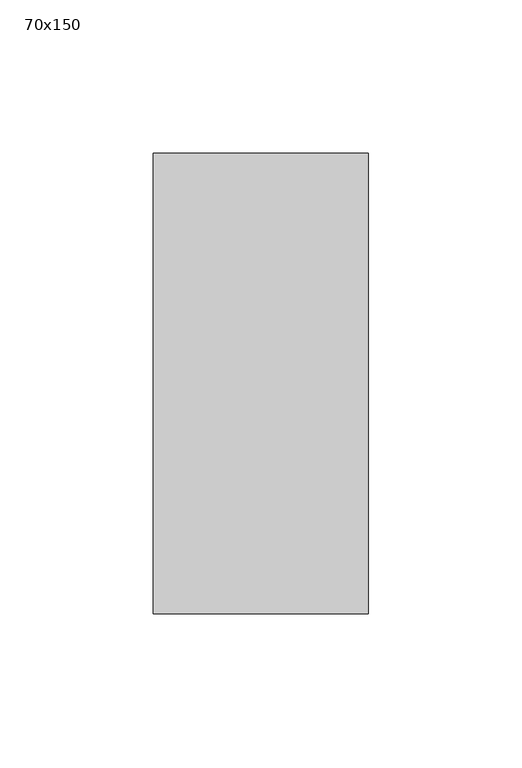
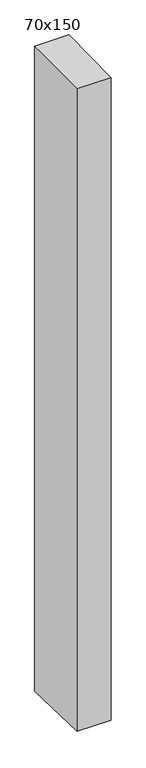
"""IFC4 building model written with IfcOpenShell, lengths in millimetres: member geometry, 70x150."""

from ifc_helpers import new_model, si_unit, frame, origin, place, context, project, spatial, polyline, outline, extrude, source, transform, mapped, element, save


def member_70x150_7c936580(model_context):
    return source(origin(), model_context, "Body", "SweptSolid", [
        extrude(outline(polyline([(-75.0, -0.7561664), (75.0, 0.7561664), (75.0, -1394.1369091), (-75.0, -1390.4185527), (-75.0, -0.7561664)])), frame((-70.0, 0.0, 0.0), z_axis=(1.0, 0.0, 0.0), x_axis=(0.0, 1.0, 0.0)), (0.0, 0.0, 1.0), 70.0),
    ])


if __name__ == "__main__":
    model = new_model("IFC4")
    model_context = context("Model", 3, world=origin())
    ifc_project = project(units=[si_unit("LENGTHUNIT", "METRE", prefix="MILLI")], contexts=[model_context])
    site = spatial("IfcSite", under=ifc_project)
    building = spatial("IfcBuilding", under=site)
    placement = place(None, origin())
    member_70x150_shape = member_70x150_7c936580(model_context)
    element("IfcMember", 1, ObjectType="70x150", at=placement, inside=building, context=model_context, shape_type="MappedRepresentation", body=[
        mapped(member_70x150_shape, transform((0.0, 0.0, 0.0), x_axis=(1.0, 0.0, 0.0), y_axis=(0.0, 1.0, 0.0), z_axis=(0.0, 0.0, 1.0))),
    ])
    save(model, "model.ifc")
